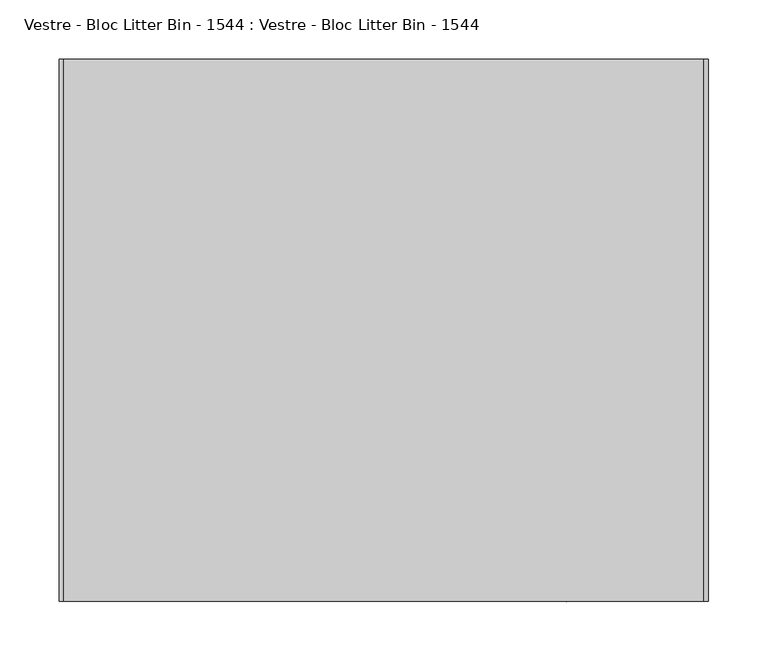
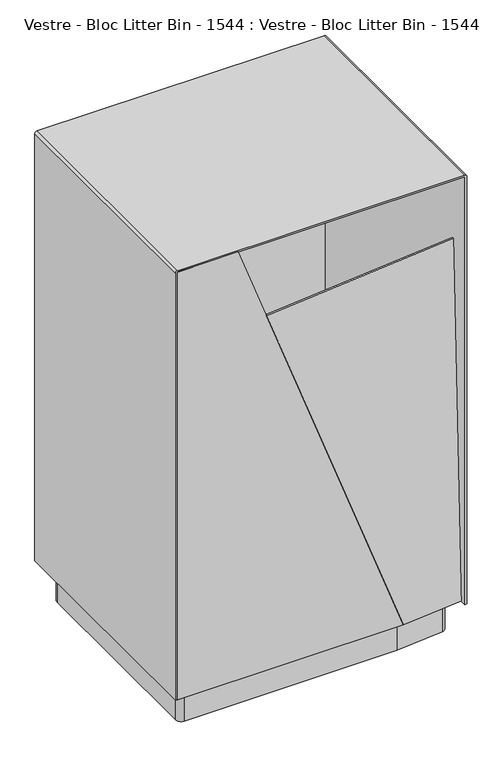
"""IFC4 building model written with IfcOpenShell, lengths in millimetres: furniture geometry, Vestre - Bloc Litter Bin - 1544 : Vestre - Bloc Litter Bin - 1544."""

from ifc_helpers import new_model, si_unit, point, frame, frame_2d, origin, origin_with_axes, place, context, project, spatial, polyline, circle_curve, trimmed, segment, composite_curve, outline, extrude, source, transform, mapped, element, save


def vestre_bloc_litter_bin_1544_vestre_bloc_litter_bin_1544_1686c3a2(model_context):
    return source(origin(), model_context, "Body", "SweptSolid", [
        extrude(outline(polyline([(-270.5, 292.290936), (-154.897871, 303.7084582), (271.5, 303.7084582), (271.5, -137.6577879), (154.897871, -149.1740758), (-270.5, -149.1740758), (-270.5, 292.290936)])), frame((0.0, 0.0, 65.0), z_axis=(0.0, 0.0, 1.0), x_axis=(1.0, 0.0, 0.0)), (0.0, 0.0, 1.0), 9.9592479),
        extrude(outline(polyline([(64.9997248, 271.5), (917.0, 271.5), (917.0, 155.9), (65.1171498, -155.1991527), (64.9997248, 271.5)])), frame((0.0, 303.7084582, 0.0), z_axis=(0.0, 1.0, 0.0), x_axis=(0.0, 0.0, 1.0)), (0.0, 0.0, 1.0), 3.0),
        extrude(outline(polyline([(752.3104603, 0.0), (623.7538599, -354.611758), (-40.247271, -110.7971063), (-0.0070612, 1e-07), (752.3104603, 0.0)])), frame((-154.8954489, 303.6325347, 65.0066328), z_axis=(-0.09822462559456395, 0.9945218953682895, 0.03575083998835469), x_axis=(0.34302093272528017, 0.0001119598287792826, 0.9393277527983912)), (0.0, 0.0, 1.0), 3.0),
        extrude(outline(composite_curve([segment(polyline([(-255.5, -119.75), (-255.5, 267.2699185)]), True, "CONTINUOUS"), segment(trimmed(circle_curve(frame_2d((-245.5, 267.2699185)), 10.0), [point((-255.5, 267.2699185))], [point((-246.5452846, 277.2151374))], False, "CARTESIAN"), True, "CONTINUOUS"), segment(polyline([(-246.5452846, 277.2151374), (-155.5, 286.7843825), (246.5, 286.7843825)]), True, "CONTINUOUS"), segment(trimmed(circle_curve(frame_2d((246.5, 276.7843825)), 10.0), [point((246.5, 286.7843825))], [point((256.5, 276.7843825))], False, "CARTESIAN"), True, "CONTINUOUS"), segment(polyline([(256.5, 276.7843825), (256.5, -110.235536)]), True, "CONTINUOUS"), segment(trimmed(circle_curve(frame_2d((246.5, -110.235536)), 10.0), [point((256.5, -110.235536))], [point((247.5452846, -120.180755))], False, "CARTESIAN"), True, "CONTINUOUS"), segment(polyline([(247.5452846, -120.180755), (156.5, -129.75), (-245.5, -129.75)]), True, "CONTINUOUS"), segment(trimmed(circle_curve(frame_2d((-245.5, -119.75)), 10.0), [point((-245.5, -129.75))], [point((-255.5, -119.75))], False, "CARTESIAN"), True, "CONTINUOUS")], self_intersect=False)), origin_with_axes(), (0.0, 0.0, 1.0), 65.0745777),
        extrude(outline(polyline([(752.3104603, 0.0), (623.7538599, -354.611758), (-40.247271, -110.7971063), (-0.0070612, 1e-07), (752.3104603, 0.0)])), frame((154.8954489, -149.1740765, 65.0066328), z_axis=(0.09822462559456396, -0.9945218953682895, 0.03575083998835469), x_axis=(-0.34302093272527995, -0.00011195982877926014, 0.9393277527983913)), (0.0, 0.0, 1.0), 3.0),
        extrude(outline(polyline([(65.0, -270.5), (65.1171498, 155.1991527), (917.0, -155.9), (917.0, -270.5), (65.0, -270.5)])), frame((0.0, -152.25, 0.0), z_axis=(0.0, 1.0, 0.0), x_axis=(0.0, 0.0, 1.0)), (0.0, 0.0, 1.0), 3.0),
        extrude(outline(composite_curve([segment(polyline([(65.0, -270.5), (917.0, -270.5), (917.0, 271.5), (65.0, 271.5), (65.0, 275.5), (916.0, 275.5)]), True, "CONTINUOUS"), segment(trimmed(circle_curve(frame_2d((916.0, 271.5)), 4.0), [point((916.0, 275.5))], [point((920.0, 271.5))], False, "CARTESIAN"), True, "CONTINUOUS"), segment(polyline([(920.0, 271.5), (920.0, -270.4822768)]), True, "CONTINUOUS"), segment(trimmed(circle_curve(frame_2d((915.9822768, -270.4822768)), 4.0177232), [point((920.0, -270.4822768))], [point((915.9822768, -274.5))], False, "CARTESIAN"), True, "CONTINUOUS"), segment(polyline([(915.9822768, -274.5), (65.0, -274.5), (65.0, -270.5)]), True, "CONTINUOUS")], self_intersect=False)), frame((0.0, -152.25, 0.0), z_axis=(0.0, 1.0, 0.0), x_axis=(0.0, 0.0, 1.0)), (0.0, 0.0, 1.0), 458.9584582),
    ])


if __name__ == "__main__":
    model = new_model("IFC4")
    model_context = context("Model", 3, world=origin())
    ifc_project = project(units=[si_unit("LENGTHUNIT", "METRE", prefix="MILLI")], contexts=[model_context])
    site = spatial("IfcSite", under=ifc_project)
    building = spatial("IfcBuilding", under=site)
    placement = place(None, origin())
    vestre_bloc_litter_bin_1544_vestre_bloc_litter_bin_1544_shape = vestre_bloc_litter_bin_1544_vestre_bloc_litter_bin_1544_1686c3a2(model_context)
    element("IfcFurniture", 1, ObjectType="Vestre - Bloc Litter Bin - 1544 : Vestre - Bloc Litter Bin - 1544", at=placement, inside=building, context=model_context, shape_type="MappedRepresentation", body=[
        mapped(vestre_bloc_litter_bin_1544_vestre_bloc_litter_bin_1544_shape, transform((0.0, 0.0, 0.0), x_axis=(1.0, 0.0, 0.0), y_axis=(0.0, 1.0, 0.0), z_axis=(0.0, 0.0, 1.0))),
    ])
    save(model, "model.ifc")
